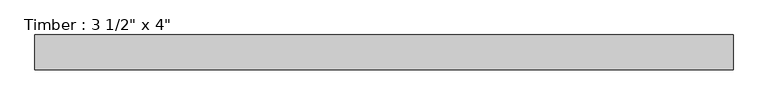
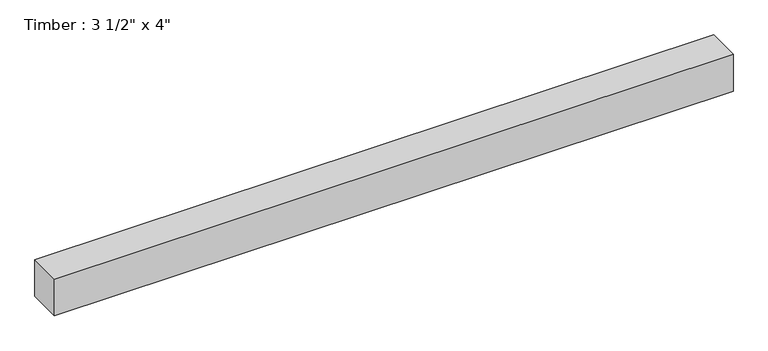
"""IFC4 building model written with IfcOpenShell, lengths in millimetres: beam geometry."""

from ifc_helpers import new_model, si_unit, frame, origin, place, context, project, spatial, polyline, outline, extrude, source, transform, mapped, element, save


def beam_64fba8c9(model_context):
    return source(origin(), model_context, "Body", "SweptSolid", [
        extrude(outline(polyline([(889.0, 44.45), (889.0, -44.45), (-889.0, -44.45), (-889.0, 44.45), (889.0, 44.45)])), frame((0.0, 0.0, -50.8), z_axis=(0.0, 0.0, 1.0), x_axis=(1.0, 0.0, 0.0)), (0.0, 0.0, 1.0), 101.6),
    ])


if __name__ == "__main__":
    model = new_model("IFC4")
    model_context = context("Model", 3, world=origin())
    ifc_project = project(units=[si_unit("LENGTHUNIT", "METRE", prefix="MILLI")], contexts=[model_context])
    site = spatial("IfcSite", under=ifc_project)
    building = spatial("IfcBuilding", under=site)
    placement = place(None, origin())
    beam_shape = beam_64fba8c9(model_context)
    element("IfcBeam", 1, ObjectType="Timber : 3 1/2\" x 4\"", at=placement, inside=building, context=model_context, shape_type="MappedRepresentation", body=[
        mapped(beam_shape, transform((0.0, 0.0, 0.0), x_axis=(1.0, 0.0, 0.0), y_axis=(0.0, 1.0, 0.0), z_axis=(0.0, 0.0, 1.0))),
    ])
    save(model, "model.ifc")
